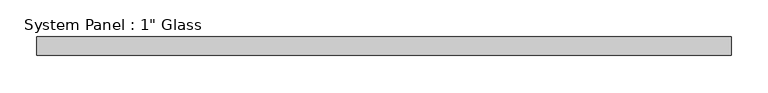
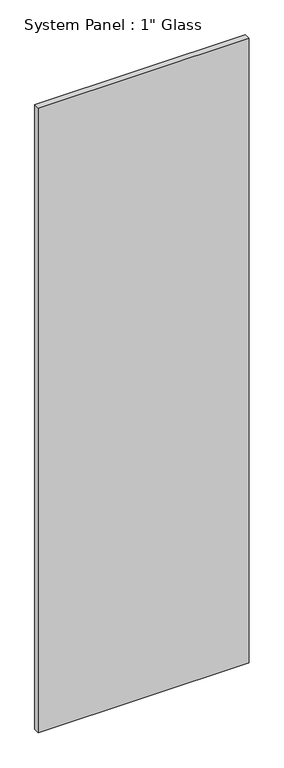
"""IFC4 building model written with IfcOpenShell, lengths in millimetres: plate geometry."""

from ifc_helpers import new_model, si_unit, origin, origin_with_axes, place, context, project, spatial, polyline, outline, extrude, source, transform, mapped, element, save


def plate_bd6a3c45(model_context):
    return source(origin(), model_context, "Body", "SweptSolid", [
        extrude(outline(polyline([(472.6408815, -12.7), (-472.6408815, -12.7), (-472.6408815, 12.7), (472.6408815, 12.7), (472.6408815, -12.7)])), origin_with_axes(), (0.0, 0.0, 1.0), 2959.1),
    ])


if __name__ == "__main__":
    model = new_model("IFC4")
    model_context = context("Model", 3, world=origin())
    ifc_project = project(units=[si_unit("LENGTHUNIT", "METRE", prefix="MILLI")], contexts=[model_context])
    site = spatial("IfcSite", under=ifc_project)
    building = spatial("IfcBuilding", under=site)
    placement = place(None, origin())
    plate_shape = plate_bd6a3c45(model_context)
    element("IfcPlate", 1, ObjectType="System Panel : 1\" Glass", at=placement, inside=building, context=model_context, shape_type="MappedRepresentation", body=[
        mapped(plate_shape, transform((0.0, 0.0, 0.0), x_axis=(1.0, 0.0, 0.0), y_axis=(0.0, 1.0, 0.0), z_axis=(0.0, 0.0, 1.0))),
    ])
    save(model, "model.ifc")
